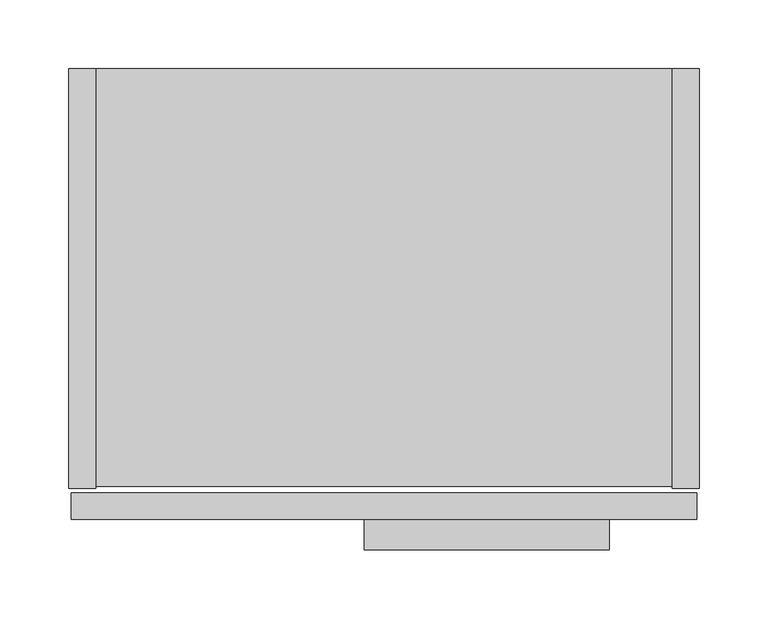
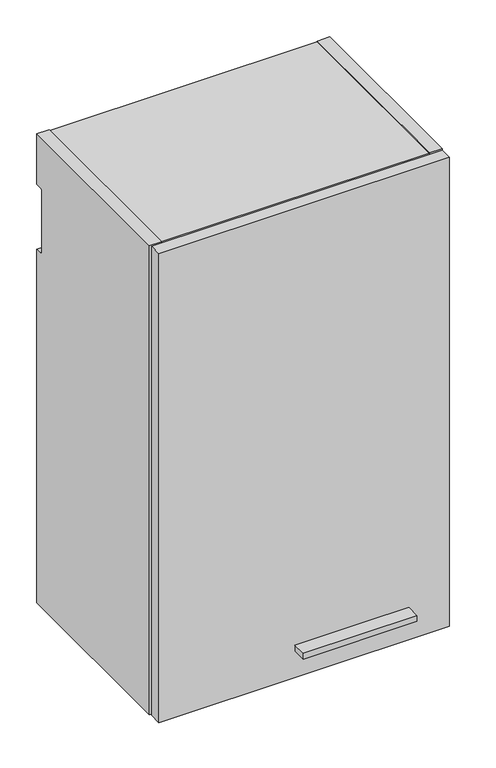
"""IFC4 building model written with IfcOpenShell, lengths in millimetres: furniture geometry."""

from ifc_helpers import new_model, si_unit, point, frame, frame_2d, origin, place, context, project, spatial, polyline, circle_curve, trimmed, segment, composite_curve, outline, extrude, source, transform, mapped, element, save
from ifc_brep_helpers import plane_surface, cylinder_surface, revolved_surface, advanced_brep


def furniture_84b8d11e(model_context):
    return source(origin(), model_context, "Body", "SolidModel", [
        advanced_brep(
        [(413.7025, -293.751, 1939.7791484), (410.748813, -293.751, 1939.3909161), (409.8355336, -293.751, 1937.6339969), (409.8053845, -293.751, 1918.5009499), (410.748813, -293.751, 1917.3073808), (413.7025, -293.751, 1916.9191484), (416.656187, -293.751, 1917.3073808), (417.5996155, -293.751, 1918.5009499), (417.5694664, -293.751, 1937.6339969), (416.656187, -293.751, 1939.3909161), (412.9405, -293.751, 1937.7617878), (414.4645, -293.751, 1937.7617878), (414.4645, -293.751, 1934.4712263), (412.9405, -293.751, 1934.4712263), (413.7025, -286.131, 1939.7791484), (413.7025, -286.131, 1916.9191484), (416.656187, -288.3034403, 1939.3909161), (416.656187, -288.3034403, 1917.3073808), (410.748813, -288.3034403, 1917.3073808), (410.748813, -288.3034403, 1939.3909161), (409.8053845, -288.3034403, 1918.5009499), (409.8355336, -288.3034403, 1937.6339969), (417.5996155, -288.3034403, 1918.5009499), (417.5694664, -288.3034403, 1937.6339969), (412.9405, -292.5268699, 1934.4712263), (414.4645, -292.5268699, 1934.4712263), (414.4645, -292.5268699, 1937.7617878), (412.9405, -292.5268699, 1937.7617878)],
        [
            (0, 1, circle_curve(frame((413.7025, -293.751, 1928.3491484), z_axis=(0.0, -1.0, 0.0), x_axis=(0.0, 0.0, -1.0)), 11.43)),
            (1, 2, circle_curve(frame((411.28904, -293.751, 1937.9942665), z_axis=(0.0, -1.0, 0.0), x_axis=(0.0, 0.0, -1.0)), 1.4974896)),
            (2, 3, circle_curve(frame((371.4831576, -293.751, 1928.1278836), z_axis=(0.0, 1.0, 0.0), x_axis=(0.0, 0.0, -1.0)), 39.512921)),
            (3, 4, circle_curve(frame((411.28904, -293.751, 1918.7040303), z_axis=(0.0, -1.0, 0.0), x_axis=(0.0, 0.0, -1.0)), 1.4974896)),
            (4, 5, circle_curve(frame((413.7025, -293.751, 1928.3491484), z_axis=(0.0, -1.0, 0.0), x_axis=(0.0, 0.0, -1.0)), 11.43)),
            (5, 6, circle_curve(frame((413.7025, -293.751, 1928.3491484), z_axis=(0.0, -1.0, 0.0), x_axis=(0.0, 0.0, -1.0)), 11.43)),
            (6, 7, circle_curve(frame((416.11596, -293.751, 1918.7040303), z_axis=(0.0, -1.0, 0.0), x_axis=(0.0, 0.0, -1.0)), 1.4974896)),
            (7, 8, circle_curve(frame((455.9218424, -293.751, 1928.1278836), z_axis=(0.0, 1.0, 0.0), x_axis=(0.0, 0.0, -1.0)), 39.512921)),
            (8, 9, circle_curve(frame((416.11596, -293.751, 1937.9942665), z_axis=(0.0, -1.0, 0.0), x_axis=(0.0, 0.0, -1.0)), 1.4974896)),
            (9, 0, circle_curve(frame((413.7025, -293.751, 1928.3491484), z_axis=(0.0, -1.0, 0.0), x_axis=(0.0, 0.0, -1.0)), 11.43)),
            (10, 11, circle_curve(frame((413.7025, -293.751, 1937.7617878), z_axis=(0.0, 1.0, 0.0), x_axis=(0.0, 0.0, -1.0)), 0.762)),
            (11, 12),
            (12, 13, circle_curve(frame((413.7025, -293.751, 1934.4712263), z_axis=(0.0, 1.0, 0.0), x_axis=(0.0, 0.0, 1.0)), 0.762)),
            (13, 10),
            (14, 15, circle_curve(frame((413.7025, -286.131, 1928.3491484), z_axis=(0.0, 1.0, 0.0), x_axis=(0.0, 0.0, -1.0)), 11.43)),
            (15, 14, circle_curve(frame((413.7025, -286.131, 1928.3491484), z_axis=(0.0, 1.0, 0.0), x_axis=(0.0, 0.0, -1.0)), 11.43)),
            (14, 0),
            (9, 16),
            (16, 17, circle_curve(frame((413.7025, -288.3034403, 1928.3491484), z_axis=(0.0, 1.0, 0.0), x_axis=(0.0, 0.0, -1.0)), 11.43)),
            (17, 6),
            (5, 15),
            (4, 18),
            (18, 19, circle_curve(frame((413.7025, -288.3034403, 1928.3491484), z_axis=(0.0, 1.0, 0.0), x_axis=(0.0, 0.0, -1.0)), 11.43)),
            (19, 1),
            (20, 21, circle_curve(frame((371.4831576, -288.3034403, 1928.1278836), z_axis=(0.0, -1.0, 0.0), x_axis=(0.0, 0.0, -1.0)), 39.512921)),
            (21, 19, circle_curve(frame((411.28904, -288.3034403, 1937.9942665), z_axis=(0.0, 1.0, 0.0), x_axis=(0.0, 0.0, -1.0)), 1.4974896)),
            (18, 20, circle_curve(frame((411.28904, -288.3034403, 1918.7040303), z_axis=(0.0, 1.0, 0.0), x_axis=(0.0, 0.0, -1.0)), 1.4974896)),
            (22, 17, circle_curve(frame((416.11596, -288.3034403, 1918.7040303), z_axis=(0.0, 1.0, 0.0), x_axis=(0.0, 0.0, -1.0)), 1.4974896)),
            (16, 23, circle_curve(frame((416.11596, -288.3034403, 1937.9942665), z_axis=(0.0, 1.0, 0.0), x_axis=(0.0, 0.0, -1.0)), 1.4974896)),
            (23, 22, circle_curve(frame((455.9218424, -288.3034403, 1928.1278836), z_axis=(0.0, -1.0, 0.0), x_axis=(0.0, 0.0, -1.0)), 39.512921)),
            (3, 20),
            (21, 2),
            (23, 8),
            (7, 22),
            (24, 25, circle_curve(frame((413.7025, -292.5268699, 1934.4712263), z_axis=(0.0, -1.0, 0.0), x_axis=(0.0, 0.0, 1.0)), 0.762)),
            (25, 26),
            (26, 27, circle_curve(frame((413.7025, -292.5268699, 1937.7617878), z_axis=(0.0, -1.0, 0.0), x_axis=(0.0, 0.0, -1.0)), 0.762)),
            (27, 24),
            (27, 10),
            (13, 24),
            (26, 11),
            (25, 12),
        ],
        [
            plane_surface(frame((413.7025, -293.751, 1916.9191484), z_axis=(0.0, -1.0, 0.0), x_axis=(-1.0, 0.0, 0.0))),
            plane_surface(frame((413.7025, -286.131, 1916.9191484), z_axis=(0.0, 1.0, 0.0), x_axis=(1.0, 0.0, 0.0))),
            cylinder_surface(frame((413.7025, -286.131, 1928.3491484), z_axis=(0.0, -1.0, 0.0), x_axis=(0.0, 0.0, -1.0)), 11.43),
            plane_surface(frame((411.28904, -288.3034403, 1917.2065407), z_axis=(0.0, -1.0, 0.0), x_axis=(-1.0, 0.0, 0.0))),
            cylinder_surface(frame((411.28904, -288.3034403, 1918.7040303), z_axis=(0.0, 1.0, 0.0), x_axis=(0.0, 0.0, -1.0)), 1.4974896),
            cylinder_surface(frame((411.28904, -288.3034403, 1937.9942665), z_axis=(0.0, 1.0, 0.0), x_axis=(0.0, 0.0, -1.0)), 1.4974896),
            revolved_surface(polyline([(371.4831576, -293.751, 1888.6149626), (371.4831576, -288.3034403, 1888.6149626)]), (371.4831576, -288.3034403, 1928.1278836), (0.0, -1.0, 0.0)),
            revolved_surface(polyline([(455.9218424, -293.751, 1888.6149626), (455.9218424, -288.3034403, 1888.6149626)]), (455.9218424, -276.225, 1928.1278836), (0.0, -1.0, 0.0)),
            cylinder_surface(frame((416.11596, -276.225, 1937.9942665), z_axis=(0.0, 1.0, 0.0), x_axis=(0.0, 0.0, -1.0)), 1.4974896),
            cylinder_surface(frame((416.11596, -276.225, 1918.7040303), z_axis=(0.0, 1.0, 0.0), x_axis=(0.0, 0.0, -1.0)), 1.4974896),
            plane_surface(frame((412.9405, -292.5268699, 2013.5554451), z_axis=(0.0, -1.0, 0.0), x_axis=(0.0, 0.0, -1.0))),
            plane_surface(frame((412.9405, -293.751, 1934.4712263), z_axis=(1.0, 0.0, 0.0), x_axis=(0.0, 1.0, 0.0))),
            revolved_surface(polyline([(413.7025, -293.751, 1936.9997878000001), (413.7025, -292.5268699, 1936.9997878000001)]), (413.7025, -292.5268699, 1937.7617878), (0.0, -1.0, 0.0)),
            plane_surface(frame((414.4645, -293.751, 1937.7617878), z_axis=(-1.0, 0.0, 0.0), x_axis=(0.0, 1.0, 0.0))),
            revolved_surface(polyline([(413.7025, -293.751, 1935.2332262999998), (413.7025, -292.5268699, 1935.2332262999998)]), (413.7025, -292.5268699, 1934.4712263), (0.0, -1.0, 0.0)),
        ],
        [
            (0, [[1, 2, 3, 4, 5, 6, 7, 8, 9, 10], [11, 12, 13, 14]]),
            (1, [[15, 16]]),
            (2, [[17, -10, 18, 19, 20, -6, 21, -15]]),
            (2, [[-21, -5, 22, 23, 24, -1, -17, -16]]),
            (3, [[25, 26, -23, 27]]),
            (3, [[28, -19, 29, 30]]),
            (4, [[-22, -4, 31, -27]]),
            (5, [[32, -2, -24, -26]]),
            (6, [[-31, -3, -32, -25]]),
            (7, [[33, -8, 34, -30]]),
            (8, [[-18, -9, -33, -29]]),
            (9, [[-34, -7, -20, -28]]),
            (10, [[35, 36, 37, 38]]),
            (11, [[39, -14, 40, -38]]),
            (12, [[41, -11, -39, -37]]),
            (13, [[42, -12, -41, -36]]),
            (14, [[-40, -13, -42, -35]]),
        ],
    ),
        advanced_brep(
        [(401.0025, -286.131, 2008.9061718), (401.0025, -286.131, 1928.2156), (426.4025, -286.131, 1928.2156), (426.4025, -286.131, 2008.9061718), (425.1325, -286.131, 1943.5097734), (422.5925, -286.131, 1940.9697734), (404.8125, -286.131, 1940.9697734), (402.2725, -286.131, 1943.5097734), (402.2725, -286.131, 2000.1253259), (404.8125, -286.131, 2002.6653259), (422.5925, -286.131, 2002.6653259), (425.1325, -286.131, 2000.1253259), (401.0025, -276.225, 2008.9061718), (426.4025, -276.225, 2008.9061718), (426.4025, -276.225, 1928.2156), (401.0025, -276.225, 1928.2156), (422.5925, -284.6242162, 2002.6653259), (404.8125, -284.6242162, 2002.6653259), (402.2725, -284.6242162, 2000.1253259), (402.2725, -284.6242162, 1943.5097734), (404.8125, -284.6242162, 1940.9697734), (422.5925, -284.6242162, 1940.9697734), (425.1325, -284.6242162, 1943.5097734), (425.1325, -284.6242162, 2000.1253259)],
        [
            (0, 1),
            (1, 2, circle_curve(frame((413.7025, -286.131, 1928.2156), z_axis=(0.0, -1.0, 0.0), x_axis=(0.0, 0.0, -1.0)), 12.7)),
            (2, 3),
            (3, 0, circle_curve(frame((413.7025, -286.131, 1993.885087), z_axis=(0.0, -1.0, 0.0), x_axis=(0.0, 0.0, -1.0)), 19.6703582)),
            (4, 5, circle_curve(frame((422.5925, -286.131, 1943.5097734), z_axis=(0.0, 1.0, 0.0), x_axis=(0.0, 0.0, -1.0)), 2.54)),
            (5, 6),
            (6, 7, circle_curve(frame((404.8125, -286.131, 1943.5097734), z_axis=(0.0, 1.0, 0.0), x_axis=(0.0, 0.0, -1.0)), 2.54)),
            (7, 8),
            (8, 9, circle_curve(frame((404.8125, -286.131, 2000.1253259), z_axis=(0.0, 1.0, 0.0), x_axis=(0.0, 0.0, -1.0)), 2.54)),
            (9, 10),
            (10, 11, circle_curve(frame((422.5925, -286.131, 2000.1253259), z_axis=(0.0, 1.0, 0.0), x_axis=(0.0, 0.0, -1.0)), 2.54)),
            (11, 4),
            (12, 13, circle_curve(frame((413.7025, -276.225, 1993.885087), z_axis=(0.0, 1.0, 0.0), x_axis=(0.0, 0.0, -1.0)), 19.6703582)),
            (13, 14),
            (14, 15, circle_curve(frame((413.7025, -276.225, 1928.2156), z_axis=(0.0, 1.0, 0.0), x_axis=(0.0, 0.0, -1.0)), 12.7)),
            (15, 12),
            (2, 14),
            (13, 3),
            (0, 12),
            (15, 1),
            (16, 17),
            (17, 18, circle_curve(frame((404.8125, -284.6242162, 2000.1253259), z_axis=(0.0, -1.0, 0.0), x_axis=(0.0, 0.0, -1.0)), 2.54)),
            (18, 19),
            (19, 20, circle_curve(frame((404.8125, -284.6242162, 1943.5097734), z_axis=(0.0, -1.0, 0.0), x_axis=(0.0, 0.0, -1.0)), 2.54)),
            (20, 21),
            (21, 22, circle_curve(frame((422.5925, -284.6242162, 1943.5097734), z_axis=(0.0, -1.0, 0.0), x_axis=(0.0, 0.0, -1.0)), 2.54)),
            (22, 23),
            (23, 16, circle_curve(frame((422.5925, -284.6242162, 2000.1253259), z_axis=(0.0, -1.0, 0.0), x_axis=(0.0, 0.0, -1.0)), 2.54)),
            (22, 4),
            (11, 23),
            (20, 6),
            (5, 21),
            (18, 8),
            (7, 19),
            (16, 10),
            (9, 17),
        ],
        [
            plane_surface(frame((413.7025, -286.131, 1974.2147288), z_axis=(0.0, -1.0, 0.0), x_axis=(-1.0, 0.0, 0.0))),
            plane_surface(frame((413.7025, -276.225, 1974.2147288), z_axis=(0.0, 1.0, 0.0), x_axis=(1.0, 0.0, 0.0))),
            plane_surface(frame((426.4025, -286.131, 2008.9061718), z_axis=(1.0, 0.0, 0.0), x_axis=(0.0, 1.0, 0.0))),
            plane_surface(frame((401.0025, -286.131, 1928.2156), z_axis=(-1.0, 0.0, 2.7958673908800244e-12), x_axis=(0.0, 1.0, 0.0))),
            plane_surface(frame((422.5925, -284.6242162, 1997.5853259), z_axis=(0.0, -1.0, 0.0), x_axis=(1.0, 0.0, 0.0))),
            cylinder_surface(frame((413.7025, -276.225, 1928.2156), z_axis=(0.0, -1.0, 0.0), x_axis=(0.0, 0.0, -1.0)), 12.7),
            plane_surface(frame((425.1325, -292.5268699, 2000.1253259), z_axis=(-1.0, 0.0, -3.0438306120267246e-12), x_axis=(0.0, 1.0, 0.0))),
            plane_surface(frame((422.5925, -292.5268699, 1940.9697734), z_axis=(0.0, 0.0, 1.0), x_axis=(0.0, 1.0, 0.0))),
            plane_surface(frame((402.2725, -292.5268699, 1943.5097734), z_axis=(1.0, 0.0, 0.0), x_axis=(0.0, 1.0, 0.0))),
            plane_surface(frame((404.8125, -292.5268699, 2002.6653259), z_axis=(0.0, 0.0, -1.0), x_axis=(0.0, 1.0, 0.0))),
            revolved_surface(polyline([(422.5925, -286.131, 1997.5853259), (422.5925, -284.6242162, 1997.5853259)]), (422.5925, -284.6242162, 2000.1253259), (0.0, -1.0, 0.0)),
            revolved_surface(polyline([(422.5925, -286.131, 1940.9697734000001), (422.5925, -284.6242162, 1940.9697734000001)]), (422.5925, -284.6242162, 1943.5097734), (0.0, -1.0, 0.0)),
            revolved_surface(polyline([(404.8125, -286.131, 1940.9697734000001), (404.8125, -284.6242162, 1940.9697734000001)]), (404.8125, -284.6242162, 1943.5097734), (0.0, -1.0, 0.0)),
            revolved_surface(polyline([(404.8125, -286.131, 1997.5853259), (404.8125, -284.6242162, 1997.5853259)]), (404.8125, -284.6242162, 2000.1253259), (0.0, -1.0, 0.0)),
            cylinder_surface(frame((413.7025, -276.225, 1993.885087), z_axis=(0.0, -1.0, 0.0), x_axis=(0.0, 0.0, -1.0)), 19.6703582),
        ],
        [
            (0, [[1, 2, 3, 4], [5, 6, 7, 8, 9, 10, 11, 12]]),
            (1, [[13, 14, 15, 16]]),
            (2, [[17, -14, 18, -3]]),
            (3, [[19, -16, 20, -1]]),
            (4, [[21, 22, 23, 24, 25, 26, 27, 28]]),
            (5, [[-20, -15, -17, -2]]),
            (6, [[29, -12, 30, -27]]),
            (7, [[31, -6, 32, -25]]),
            (8, [[33, -8, 34, -23]]),
            (9, [[35, -10, 36, -21]]),
            (10, [[-30, -11, -35, -28]]),
            (11, [[-32, -5, -29, -26]]),
            (12, [[-34, -7, -31, -24]]),
            (13, [[-36, -9, -33, -22]]),
            (14, [[-18, -13, -19, -4]]),
        ],
    ),
        extrude(outline(polyline([(392.1125, -349.25), (214.3125, -349.25), (214.3125, -327.025), (392.1125, -327.025), (392.1125, -349.25)])), frame((0.0, 0.0, 1923.4531), z_axis=(0.0, 0.0, 1.0), x_axis=(1.0, 0.0, 0.0)), (0.0, 0.0, 1.0), 9.525),
        extrude(outline(composite_curve([segment(polyline([(-304.546, 1879.6), (-304.546, 2654.3), (0.0, 2654.3), (0.0, 2571.242), (-9.5254487, 2571.242)]), True, "CONTINUOUS"), segment(trimmed(circle_curve(frame_2d((-9.5254487, 2568.0674487)), 3.1745513), [point((-9.5254487, 2571.242))], [point((-12.7, 2568.0674487))], True, "CARTESIAN"), True, "CONTINUOUS"), segment(polyline([(-12.7, 2568.0674487), (-12.7, 2466.467)]), True, "CONTINUOUS"), segment(trimmed(circle_curve(frame_2d((-9.525, 2466.467)), 3.175), [point((-12.7, 2466.467))], [point((-9.525, 2463.292))], True, "CARTESIAN"), True, "CONTINUOUS"), segment(polyline([(-9.525, 2463.292), (0.0, 2463.292), (0.0, 1879.6), (-304.546, 1879.6)]), True, "CONTINUOUS")], self_intersect=False)), frame((437.896, 0.0, 0.0), z_axis=(1.0, 0.0, 0.0), x_axis=(0.0, 1.0, 0.0)), (0.0, 0.0, 1.0), 19.304),
        extrude(outline(polyline([(437.896, -303.022), (19.304, -303.022), (19.304, -12.7), (437.896, -12.7), (437.896, -303.022)])), frame((0.0, 0.0, 1881.124), z_axis=(0.0, 0.0, 1.0), x_axis=(1.0, 0.0, 0.0)), (0.0, 0.0, 1.0), 19.304),
        extrude(outline(polyline([(437.896, -12.7), (437.896, -32.004), (19.304, -32.004), (19.304, -12.7), (437.896, -12.7)])), frame((0.0, 0.0, 1900.428), z_axis=(0.0, 0.0, 1.0), x_axis=(1.0, 0.0, 0.0)), (0.0, 0.0, 1.0), 734.568),
        extrude(outline(composite_curve([segment(polyline([(-304.546, 1879.6), (-304.546, 2654.3), (0.0, 2654.3), (0.0, 2571.242), (-9.5254487, 2571.242)]), True, "CONTINUOUS"), segment(trimmed(circle_curve(frame_2d((-9.5254487, 2568.0674487)), 3.1745513), [point((-9.5254487, 2571.242))], [point((-12.7, 2568.0674487))], True, "CARTESIAN"), True, "CONTINUOUS"), segment(polyline([(-12.7, 2568.0674487), (-12.7, 2466.467)]), True, "CONTINUOUS"), segment(trimmed(circle_curve(frame_2d((-9.525, 2466.467)), 3.175), [point((-12.7, 2466.467))], [point((-9.525, 2463.292))], True, "CARTESIAN"), True, "CONTINUOUS"), segment(polyline([(-9.525, 2463.292), (0.0, 2463.292), (0.0, 1879.6), (-304.546, 1879.6)]), True, "CONTINUOUS")], self_intersect=False)), frame((0.0, 0.0, 0.0), z_axis=(1.0, 0.0, 0.0), x_axis=(0.0, 1.0, 0.0)), (0.0, 0.0, 1.0), 19.304),
        extrude(outline(polyline([(437.896, -303.022), (19.304, -303.022), (19.304, 0.0), (437.896, 0.0), (437.896, -303.022)])), frame((0.0, 0.0, 2634.996), z_axis=(0.0, 0.0, 1.0), x_axis=(1.0, 0.0, 0.0)), (0.0, 0.0, 1.0), 17.78),
        extrude(outline(polyline([(455.6125, -327.025), (1.5875, -327.025), (1.5875, -307.721), (455.6125, -307.721), (455.6125, -327.025)])), frame((0.0, 0.0, 1879.6), z_axis=(0.0, 0.0, 1.0), x_axis=(1.0, 0.0, 0.0)), (0.0, 0.0, 1.0), 774.7),
    ])


if __name__ == "__main__":
    model = new_model("IFC4")
    model_context = context("Model", 3, world=origin())
    ifc_project = project(units=[si_unit("LENGTHUNIT", "METRE", prefix="MILLI")], contexts=[model_context])
    site = spatial("IfcSite", under=ifc_project)
    building = spatial("IfcBuilding", under=site)
    placement = place(None, origin())
    furniture_shape = furniture_84b8d11e(model_context)
    element("IfcFurniture", 1, at=placement, inside=building, context=model_context, shape_type="MappedRepresentation", body=[
        mapped(furniture_shape, transform((0.0, 0.0, 0.0), x_axis=(1.0, 0.0, 0.0), y_axis=(0.0, 1.0, 0.0), z_axis=(0.0, 0.0, 1.0))),
    ])
    save(model, "model.ifc")
